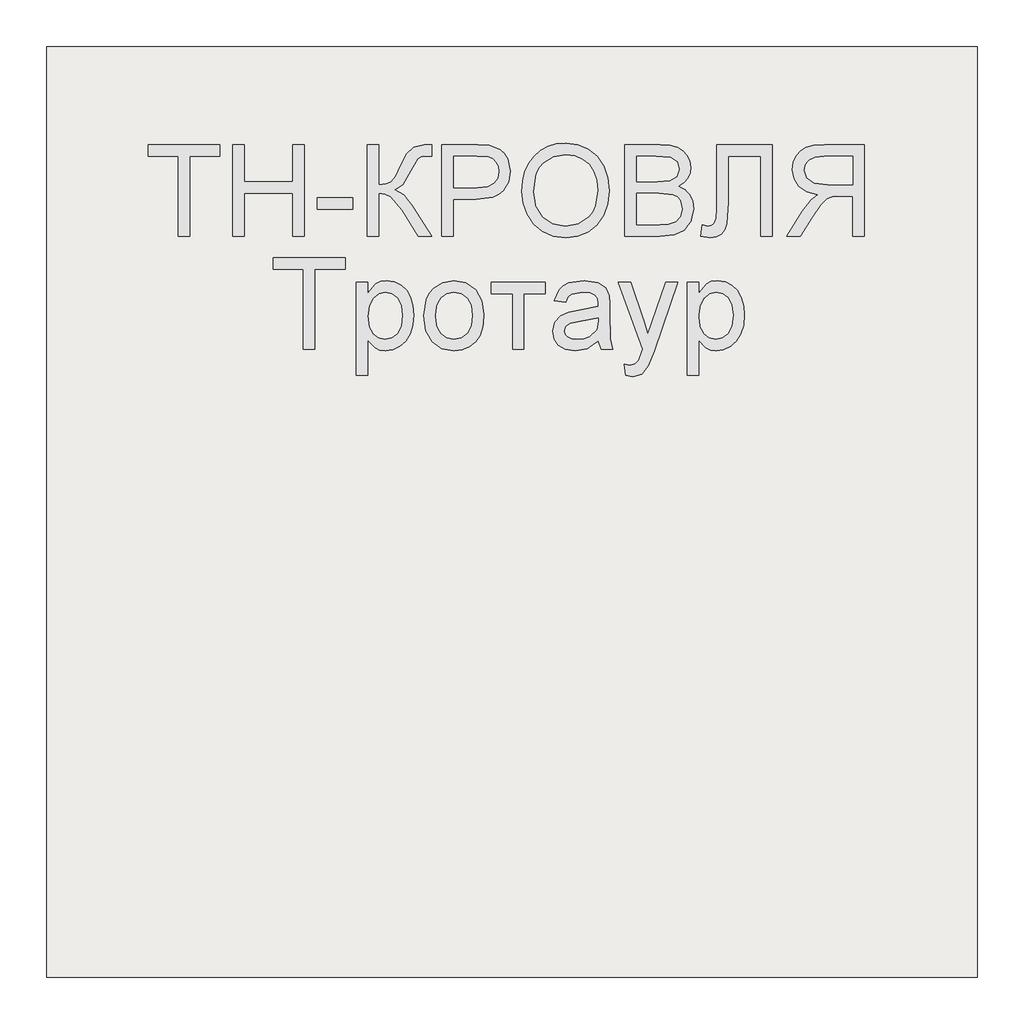
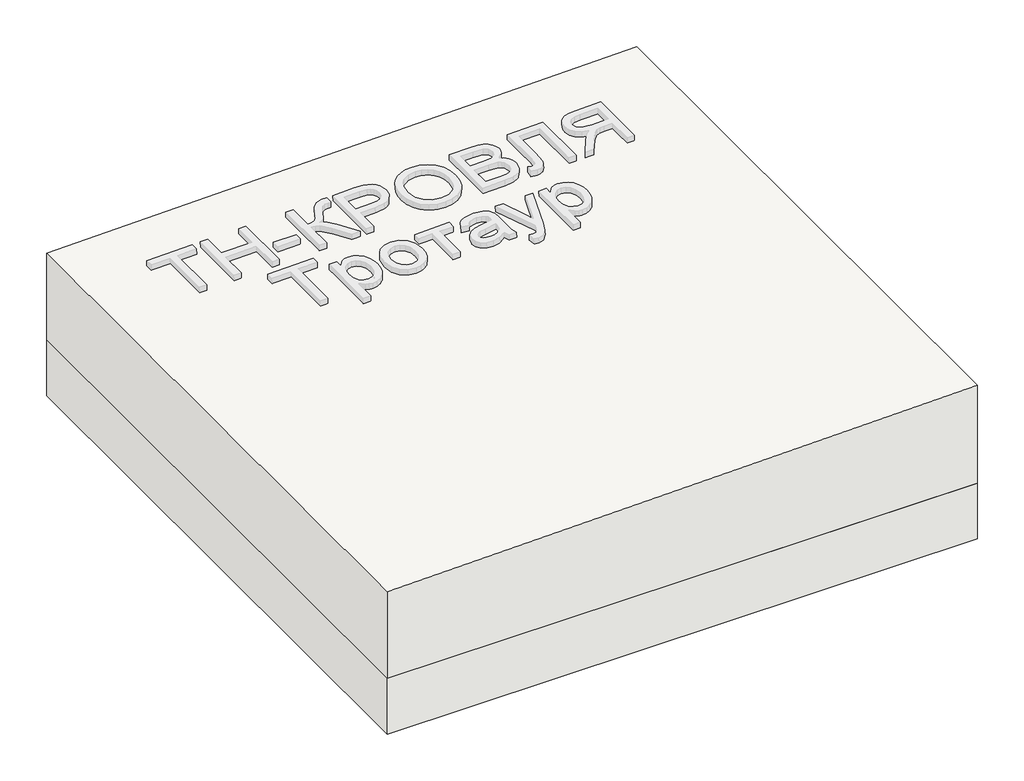
# One storey, part 1 of 3: 1 roof, 1 slab.
"""IFC4 building model written with IfcOpenShell, lengths in millimetres."""

import ifcopenshell
import ifcopenshell.guid

model = None  # the IFC model being written
_history = None  # IfcOwnerHistory: only IFC2X3 demands one
_inside = {}  # id of a spatial element -> (the spatial element, [elements in it])
_under = {}  # id of a project, library or spatial element -> (it, [spatial elements below it])
_declared = {}  # id of a project -> (the project, [libraries it declares])
_typed = {}  # id of a type object -> (the type object, [elements of that type])
_made_of = {}  # id of a material, layer set ... -> (it, [elements and type objects made of it])


def new_model(schema):
    """Start an empty IFC model of exactly this schema.

    Asked for "IFC4X3", IfcOpenShell would pick the latest addendum, in which some entities
    have other attributes; the version numbers below select the first issue.
    IFC2X3 requires an IfcOwnerHistory on every rooted entity: one is made here for all.
    """
    global model, _history
    if schema == "IFC4X3":
        model = ifcopenshell.file(schema_version=(4, 3, 0, 0))
    else:
        model = ifcopenshell.file(schema=schema)
    _inside.clear()
    _under.clear()
    _declared.clear()
    _typed.clear()
    _made_of.clear()
    _history = None
    if model.schema == "IFC2X3":
        org = make("IfcOrganization", Name="unknown")
        user = make(
            "IfcPersonAndOrganization",
            ThePerson=make("IfcPerson", FamilyName="unknown"),
            TheOrganization=org,
        )
        app = make(
            "IfcApplication",
            ApplicationDeveloper=org,
            Version="unknown",
            ApplicationFullName="unknown",
            ApplicationIdentifier="unknown",
        )
        _history = make(
            "IfcOwnerHistory",
            OwningUser=user,
            OwningApplication=app,
            ChangeAction="ADDED",
            CreationDate=0,
        )
    return model


def make(cls, **values):
    """One entity of the class cls with the attributes given. An attribute that is None is left unset."""
    return model.create_entity(
        cls, **{name: value for name, value in values.items() if value is not None}
    )


def rooted(cls, **values):
    """An entity with a GlobalId (a new one), such as an element, a storey or a relation."""
    return make(cls, GlobalId=ifcopenshell.guid.new(), OwnerHistory=_history, **values)


def si_unit(unit_type, name, prefix=None):
    """IfcSIUnit, for example si_unit("LENGTHUNIT", "METRE", prefix="MILLI")."""
    return make("IfcSIUnit", UnitType=unit_type, Prefix=prefix, Name=name)


def assignment(units):
    """IfcUnitAssignment: the units of a project."""
    return None if units is None else make("IfcUnitAssignment", Units=units)


def point(xyz):
    """IfcCartesianPoint."""
    return None if xyz is None else make("IfcCartesianPoint", Coordinates=xyz)


def direction(xyz):
    """IfcDirection."""
    return None if xyz is None else make("IfcDirection", DirectionRatios=xyz)


def frame(location, z_axis=None, x_axis=None):
    """IfcAxis2Placement3D, a coordinate frame: its origin and axes. An axis left out is left unset."""
    return make(
        "IfcAxis2Placement3D",
        Location=point(location),
        Axis=direction(z_axis),
        RefDirection=direction(x_axis),
    )


def origin():
    """The frame at (0, 0, 0) with its axes left unset."""
    return frame((0.0, 0.0, 0.0))


def place(relative_to, where):
    """IfcLocalPlacement: puts the frame where relative to a parent placement (None: the world)."""
    return make(
        "IfcLocalPlacement", PlacementRelTo=relative_to, RelativePlacement=where
    )


def context(
    kind, dimensions, precision=None, world=None, true_north=None, identifier=None
):
    """IfcGeometricRepresentationContext, for example the 3D "Model" context."""
    return make(
        "IfcGeometricRepresentationContext",
        ContextIdentifier=identifier,
        ContextType=kind,
        CoordinateSpaceDimension=dimensions,
        Precision=precision,
        WorldCoordinateSystem=world,
        TrueNorth=true_north,
    )


def project(units=None, contexts=None):
    """IfcProject with its units and contexts."""
    return rooted(
        "IfcProject",
        Name="project",
        RepresentationContexts=contexts,
        UnitsInContext=assignment(units),
    )


def spatial(cls, under=None, at=None, **own):
    """A site, building, storey or space (cls), placed at a placement, below another one or the project."""
    s = rooted(cls, ObjectPlacement=at, **own)
    if under is not None:
        _under.setdefault(under.id(), (under, []))[1].append(s)
    return s


def polyline(points):
    """IfcPolyline through the points."""
    return make("IfcPolyline", Points=[point(p) for p in points])


def outline(outer, holes=None, kind="AREA"):
    """IfcArbitraryClosedProfileDef: a profile drawn as a closed curve; with holes, ...WithVoids."""
    if holes is None:
        return make("IfcArbitraryClosedProfileDef", ProfileType=kind, OuterCurve=outer)
    return make(
        "IfcArbitraryProfileDefWithVoids",
        ProfileType=kind,
        OuterCurve=outer,
        InnerCurves=holes,
    )


def extrude(swept, where, along, depth):
    """IfcExtrudedAreaSolid: the profile swept, set in the frame where, extruded along a direction by depth."""
    return make(
        "IfcExtrudedAreaSolid",
        SweptArea=swept,
        Position=where,
        ExtrudedDirection=direction(along),
        Depth=depth,
    )


def shape(context_of_items, identifier, shape_type, items):
    """IfcShapeRepresentation: the items that make up one representation, for example the "Body"."""
    return make(
        "IfcShapeRepresentation",
        ContextOfItems=context_of_items,
        RepresentationIdentifier=identifier,
        RepresentationType=shape_type,
        Items=items,
    )


def made_of(thing, what):
    """Note that an element or type object is made of a material, layer set ...; save() writes the relation."""
    if what is not None:
        _made_of.setdefault(what.id(), (what, []))[1].append(thing)
    return thing


def element(
    cls,
    number,
    at=None,
    inside=None,
    cuts=None,
    type_object=None,
    material=None,
    context=None,
    identifier="Body",
    shape_type=None,
    held_by="IfcProductDefinitionShape",
    body=None,
    shapes=None,
    **own,
):
    """One element of the class cls, such as IfcWall. Its Tag is "e" and its number.

    at: its placement. inside: the storey or other place that contains it. cuts: it is an
    opening in that element (IfcRelVoidsElement). A single representation is given by context,
    identifier, shape_type and body (its items); several are given by shapes. held_by: the class
    of the entity that holds the representations. save() writes the other relations.
    """
    e = rooted(cls, Tag="e%d" % number, ObjectPlacement=at, **own)
    if body is not None:
        shapes = [shape(context, identifier, shape_type, body)]
    if shapes is not None:
        e.Representation = make(held_by, Representations=shapes)
    if inside is not None:
        _inside.setdefault(inside.id(), (inside, []))[1].append(e)
    if cuts is not None:
        rooted(
            "IfcRelVoidsElement", RelatingBuildingElement=cuts, RelatedOpeningElement=e
        )
    if type_object is not None:
        _typed.setdefault(type_object.id(), (type_object, []))[1].append(e)
    return made_of(e, material)


def aggregate(whole, parts):
    """IfcRelAggregates: a whole, such as a stair, and the parts it consists of."""
    return rooted("IfcRelAggregates", RelatingObject=whole, RelatedObjects=parts)


def save(model, path):
    """Write the relations noted so far, then the file.

    IfcRelAggregates (storeys below a building ...), IfcRelContainedInSpatialStructure (elements
    in a storey), IfcRelDefinesByType, IfcRelAssociatesMaterial and IfcRelDeclares: one each for
    every whole, place, type object, material and project.
    """
    for whole, parts in _under.values():
        aggregate(whole, parts)
    for where, things in _inside.values():
        rooted(
            "IfcRelContainedInSpatialStructure",
            RelatedElements=things,
            RelatingStructure=where,
        )
    for kind, things in _typed.values():
        rooted("IfcRelDefinesByType", RelatedObjects=things, RelatingType=kind)
    for what, things in _made_of.values():
        rooted("IfcRelAssociatesMaterial", RelatedObjects=things, RelatingMaterial=what)
    for by, libraries in _declared.values():
        rooted("IfcRelDeclares", RelatingContext=by, RelatedDefinitions=libraries)
    model.write(path)


model = new_model("IFC4")

# Units and contexts
model_context = context("Model", 3, world=origin())
ifc_project = project(units=[si_unit("LENGTHUNIT", "METRE", prefix="MILLI")], contexts=[model_context])

# Site, building, storey
site = spatial("IfcSite", under=ifc_project)
building = spatial("IfcBuilding", under=site)
storey = spatial("IfcBuildingStorey", under=building, Elevation=0.0)

# Roof
placement = place(None, origin())
element("IfcRoof", 1, at=placement, inside=storey, context=model_context, shape_type="SweptSolid", body=[
    extrude(outline(polyline([(311.0, 24706.3955952), (0.0, 24706.3955952), (0.0, 26706.3955952), (351.0, 26706.3955952), (311.0, 24706.3955952)])), frame((0.0, -6302.6148653, 0.0), z_axis=(0.0, 1.0, 0.0), x_axis=(0.0, 0.0, 1.0)), (0.0, 0.0, 1.0), 2000.0),
])

# Slab
element("IfcSlab", 2, at=placement, inside=storey, context=model_context, shape_type="SweptSolid", body=[
    extrude(outline(polyline([(26706.3955952, -6302.6148653), (24706.3955952, -6302.6148653), (24706.3955952, -4302.6148653), (26706.3955952, -4302.6148653), (26706.3955952, -6302.6148653)])), frame((0.0, 0.0, -200.0), z_axis=(0.0, 0.0, 1.0), x_axis=(1.0, 0.0, 0.0)), (0.0, 0.0, 1.0), 200.0),
])

save(model, "model.ifc")
